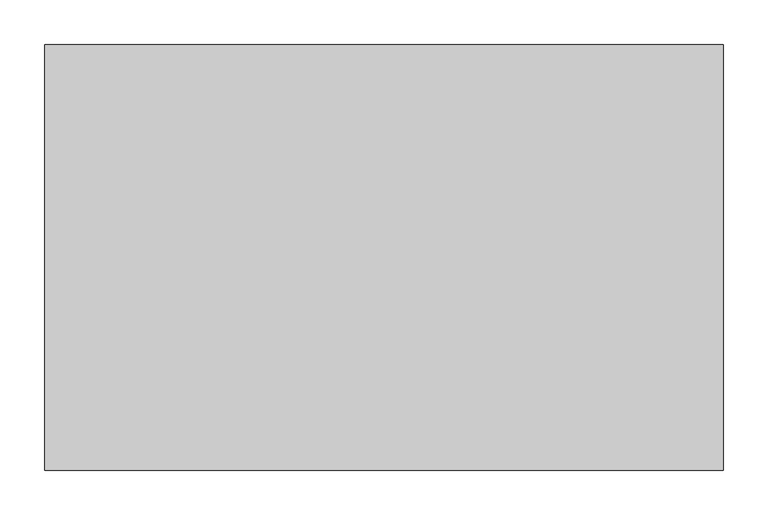
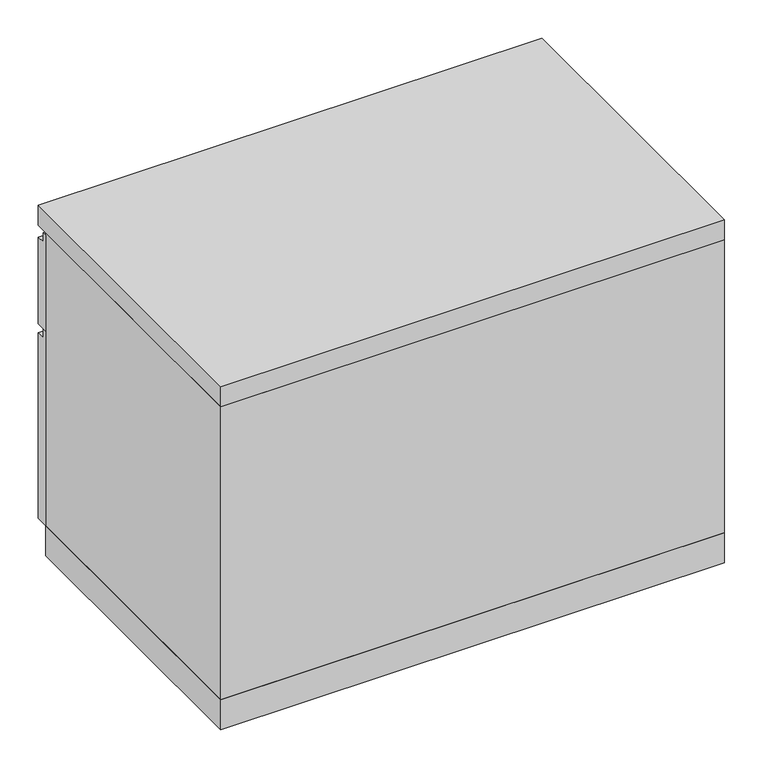
"""IFC4 building model written with IfcOpenShell, lengths in millimetres: furniture geometry."""

import ifcopenshell
import ifcopenshell.guid

model = None  # the IFC model being written
_history = None  # IfcOwnerHistory: only IFC2X3 demands one
_inside = {}  # id of a spatial element -> (the spatial element, [elements in it])
_under = {}  # id of a project, library or spatial element -> (it, [spatial elements below it])
_declared = {}  # id of a project -> (the project, [libraries it declares])
_typed = {}  # id of a type object -> (the type object, [elements of that type])
_made_of = {}  # id of a material, layer set ... -> (it, [elements and type objects made of it])


def new_model(schema):
    """Start an empty IFC model of exactly this schema.

    Asked for "IFC4X3", IfcOpenShell would pick the latest addendum, in which some entities
    have other attributes; the version numbers below select the first issue.
    IFC2X3 requires an IfcOwnerHistory on every rooted entity: one is made here for all.
    """
    global model, _history
    if schema == "IFC4X3":
        model = ifcopenshell.file(schema_version=(4, 3, 0, 0))
    else:
        model = ifcopenshell.file(schema=schema)
    _inside.clear()
    _under.clear()
    _declared.clear()
    _typed.clear()
    _made_of.clear()
    _history = None
    if model.schema == "IFC2X3":
        org = make("IfcOrganization", Name="unknown")
        user = make(
            "IfcPersonAndOrganization",
            ThePerson=make("IfcPerson", FamilyName="unknown"),
            TheOrganization=org,
        )
        app = make(
            "IfcApplication",
            ApplicationDeveloper=org,
            Version="unknown",
            ApplicationFullName="unknown",
            ApplicationIdentifier="unknown",
        )
        _history = make(
            "IfcOwnerHistory",
            OwningUser=user,
            OwningApplication=app,
            ChangeAction="ADDED",
            CreationDate=0,
        )
    return model


def make(cls, **values):
    """One entity of the class cls with the attributes given. An attribute that is None is left unset."""
    return model.create_entity(
        cls, **{name: value for name, value in values.items() if value is not None}
    )


def rooted(cls, **values):
    """An entity with a GlobalId (a new one), such as an element, a storey or a relation."""
    return make(cls, GlobalId=ifcopenshell.guid.new(), OwnerHistory=_history, **values)


def si_unit(unit_type, name, prefix=None):
    """IfcSIUnit, for example si_unit("LENGTHUNIT", "METRE", prefix="MILLI")."""
    return make("IfcSIUnit", UnitType=unit_type, Prefix=prefix, Name=name)


def assignment(units):
    """IfcUnitAssignment: the units of a project."""
    return None if units is None else make("IfcUnitAssignment", Units=units)


def point(xyz):
    """IfcCartesianPoint."""
    return None if xyz is None else make("IfcCartesianPoint", Coordinates=xyz)


def direction(xyz):
    """IfcDirection."""
    return None if xyz is None else make("IfcDirection", DirectionRatios=xyz)


def frame(location, z_axis=None, x_axis=None):
    """IfcAxis2Placement3D, a coordinate frame: its origin and axes. An axis left out is left unset."""
    return make(
        "IfcAxis2Placement3D",
        Location=point(location),
        Axis=direction(z_axis),
        RefDirection=direction(x_axis),
    )


def origin():
    """The frame at (0, 0, 0) with its axes left unset."""
    return frame((0.0, 0.0, 0.0))


def origin_with_axes():
    """The frame at (0, 0, 0) with the z axis (0, 0, 1) and the x axis (1, 0, 0) written out."""
    return frame((0.0, 0.0, 0.0), z_axis=(0.0, 0.0, 1.0), x_axis=(1.0, 0.0, 0.0))


def place(relative_to, where):
    """IfcLocalPlacement: puts the frame where relative to a parent placement (None: the world)."""
    return make(
        "IfcLocalPlacement", PlacementRelTo=relative_to, RelativePlacement=where
    )


def context(
    kind, dimensions, precision=None, world=None, true_north=None, identifier=None
):
    """IfcGeometricRepresentationContext, for example the 3D "Model" context."""
    return make(
        "IfcGeometricRepresentationContext",
        ContextIdentifier=identifier,
        ContextType=kind,
        CoordinateSpaceDimension=dimensions,
        Precision=precision,
        WorldCoordinateSystem=world,
        TrueNorth=true_north,
    )


def project(units=None, contexts=None):
    """IfcProject with its units and contexts."""
    return rooted(
        "IfcProject",
        Name="project",
        RepresentationContexts=contexts,
        UnitsInContext=assignment(units),
    )


def spatial(cls, under=None, at=None, **own):
    """A site, building, storey or space (cls), placed at a placement, below another one or the project."""
    s = rooted(cls, ObjectPlacement=at, **own)
    if under is not None:
        _under.setdefault(under.id(), (under, []))[1].append(s)
    return s


def polyline(points):
    """IfcPolyline through the points."""
    return make("IfcPolyline", Points=[point(p) for p in points])


def outline(outer, holes=None, kind="AREA"):
    """IfcArbitraryClosedProfileDef: a profile drawn as a closed curve; with holes, ...WithVoids."""
    if holes is None:
        return make("IfcArbitraryClosedProfileDef", ProfileType=kind, OuterCurve=outer)
    return make(
        "IfcArbitraryProfileDefWithVoids",
        ProfileType=kind,
        OuterCurve=outer,
        InnerCurves=holes,
    )


def extrude(swept, where, along, depth):
    """IfcExtrudedAreaSolid: the profile swept, set in the frame where, extruded along a direction by depth."""
    return make(
        "IfcExtrudedAreaSolid",
        SweptArea=swept,
        Position=where,
        ExtrudedDirection=direction(along),
        Depth=depth,
    )


def shape(context_of_items, identifier, shape_type, items):
    """IfcShapeRepresentation: the items that make up one representation, for example the "Body"."""
    return make(
        "IfcShapeRepresentation",
        ContextOfItems=context_of_items,
        RepresentationIdentifier=identifier,
        RepresentationType=shape_type,
        Items=items,
    )


def source(mapping_origin, context_of_items, identifier, shape_type, items):
    """IfcRepresentationMap: a shape defined once, which mapped items show again and again."""
    return make(
        "IfcRepresentationMap",
        MappingOrigin=mapping_origin,
        MappedRepresentation=shape(context_of_items, identifier, shape_type, items),
    )


def transform(
    local_origin,
    x_axis=None,
    y_axis=None,
    z_axis=None,
    scale=None,
    scale2=None,
    scale3=None,
    uniform=True,
):
    """IfcCartesianTransformationOperator3D, or its non-uniform kind. x_axis, y_axis, z_axis: its Axis1, 2, 3."""
    if uniform:
        return make(
            "IfcCartesianTransformationOperator3D",
            Axis1=direction(x_axis),
            Axis2=direction(y_axis),
            LocalOrigin=point(local_origin),
            Scale=scale,
            Axis3=direction(z_axis),
        )
    return make(
        "IfcCartesianTransformationOperator3DnonUniform",
        Axis1=direction(x_axis),
        Axis2=direction(y_axis),
        LocalOrigin=point(local_origin),
        Scale=scale,
        Axis3=direction(z_axis),
        Scale2=scale2,
        Scale3=scale3,
    )


def mapped(mapping_source, mapping_target):
    """IfcMappedItem: shows the shape of a source again, moved by a transform."""
    return make(
        "IfcMappedItem", MappingSource=mapping_source, MappingTarget=mapping_target
    )


def made_of(thing, what):
    """Note that an element or type object is made of a material, layer set ...; save() writes the relation."""
    if what is not None:
        _made_of.setdefault(what.id(), (what, []))[1].append(thing)
    return thing


def element(
    cls,
    number,
    at=None,
    inside=None,
    cuts=None,
    type_object=None,
    material=None,
    context=None,
    identifier="Body",
    shape_type=None,
    held_by="IfcProductDefinitionShape",
    body=None,
    shapes=None,
    **own,
):
    """One element of the class cls, such as IfcWall. Its Tag is "e" and its number.

    at: its placement. inside: the storey or other place that contains it. cuts: it is an
    opening in that element (IfcRelVoidsElement). A single representation is given by context,
    identifier, shape_type and body (its items); several are given by shapes. held_by: the class
    of the entity that holds the representations. save() writes the other relations.
    """
    e = rooted(cls, Tag="e%d" % number, ObjectPlacement=at, **own)
    if body is not None:
        shapes = [shape(context, identifier, shape_type, body)]
    if shapes is not None:
        e.Representation = make(held_by, Representations=shapes)
    if inside is not None:
        _inside.setdefault(inside.id(), (inside, []))[1].append(e)
    if cuts is not None:
        rooted(
            "IfcRelVoidsElement", RelatingBuildingElement=cuts, RelatedOpeningElement=e
        )
    if type_object is not None:
        _typed.setdefault(type_object.id(), (type_object, []))[1].append(e)
    return made_of(e, material)


def aggregate(whole, parts):
    """IfcRelAggregates: a whole, such as a stair, and the parts it consists of."""
    return rooted("IfcRelAggregates", RelatingObject=whole, RelatedObjects=parts)


def save(model, path):
    """Write the relations noted so far, then the file.

    IfcRelAggregates (storeys below a building ...), IfcRelContainedInSpatialStructure (elements
    in a storey), IfcRelDefinesByType, IfcRelAssociatesMaterial and IfcRelDeclares: one each for
    every whole, place, type object, material and project.
    """
    for whole, parts in _under.values():
        aggregate(whole, parts)
    for where, things in _inside.values():
        rooted(
            "IfcRelContainedInSpatialStructure",
            RelatedElements=things,
            RelatingStructure=where,
        )
    for kind, things in _typed.values():
        rooted("IfcRelDefinesByType", RelatedObjects=things, RelatingType=kind)
    for what, things in _made_of.values():
        rooted("IfcRelAssociatesMaterial", RelatedObjects=things, RelatingMaterial=what)
    for by, libraries in _declared.values():
        rooted("IfcRelDeclares", RelatingContext=by, RelatedDefinitions=libraries)
    model.write(path)


def furniture_65835e4b(model_context):
    return source(origin(), model_context, "Body", "SweptSolid", [
        extrude(outline(polyline([(457.2, 357.1875), (457.2, 509.5875), (463.55, 509.5875), (463.55, 495.3), (476.25, 495.3), (476.25, 357.1875), (457.2, 357.1875)])), frame((-379.4125, 0.0, 0.0), z_axis=(1.0, 0.0, 0.0), x_axis=(0.0, 1.0, 0.0)), (0.0, 0.0, 1.0), 758.825),
        extrude(outline(polyline([(457.2, 47.625), (457.2, 357.1875), (463.55, 357.1875), (463.55, 342.9), (476.25, 342.9), (476.25, 47.625), (457.2, 47.625)])), frame((-379.4125, 0.0, 0.0), z_axis=(1.0, 0.0, 0.0), x_axis=(0.0, 1.0, 0.0)), (0.0, 0.0, 1.0), 758.825),
        extrude(outline(polyline([(379.4125, 0.0), (-379.4125, 0.0), (-379.4125, 457.2), (379.4125, 457.2), (379.4125, 0.0)])), origin_with_axes(), (0.0, 0.0, 1.0), 47.625),
        extrude(outline(polyline([(379.4125, 0.0), (-379.4125, 0.0), (-379.4125, 476.25), (379.4125, 476.25), (379.4125, 0.0)])), frame((0.0, 0.0, 514.35), z_axis=(0.0, 0.0, 1.0), x_axis=(1.0, 0.0, 0.0)), (0.0, 0.0, 1.0), 31.75),
        extrude(outline(polyline([(379.4125, 0.0), (-379.4125, 0.0), (-379.4125, 457.2), (-360.3625, 457.2), (-360.3625, 19.05), (360.3625, 19.05), (360.3625, 457.2), (379.4125, 457.2), (379.4125, 0.0)])), frame((0.0, 0.0, 47.625), z_axis=(0.0, 0.0, 1.0), x_axis=(1.0, 0.0, 0.0)), (0.0, 0.0, 1.0), 466.725),
    ])


if __name__ == "__main__":
    model = new_model("IFC4")
    model_context = context("Model", 3, world=origin())
    ifc_project = project(units=[si_unit("LENGTHUNIT", "METRE", prefix="MILLI")], contexts=[model_context])
    site = spatial("IfcSite", under=ifc_project)
    building = spatial("IfcBuilding", under=site)
    placement = place(None, origin())
    furniture_shape = furniture_65835e4b(model_context)
    element("IfcFurniture", 1, at=placement, inside=building, context=model_context, shape_type="MappedRepresentation", body=[
        mapped(furniture_shape, transform((0.0, 0.0, 0.0), x_axis=(1.0, 0.0, 0.0), y_axis=(0.0, 1.0, 0.0), z_axis=(0.0, 0.0, 1.0))),
    ])
    save(model, "model.ifc")
